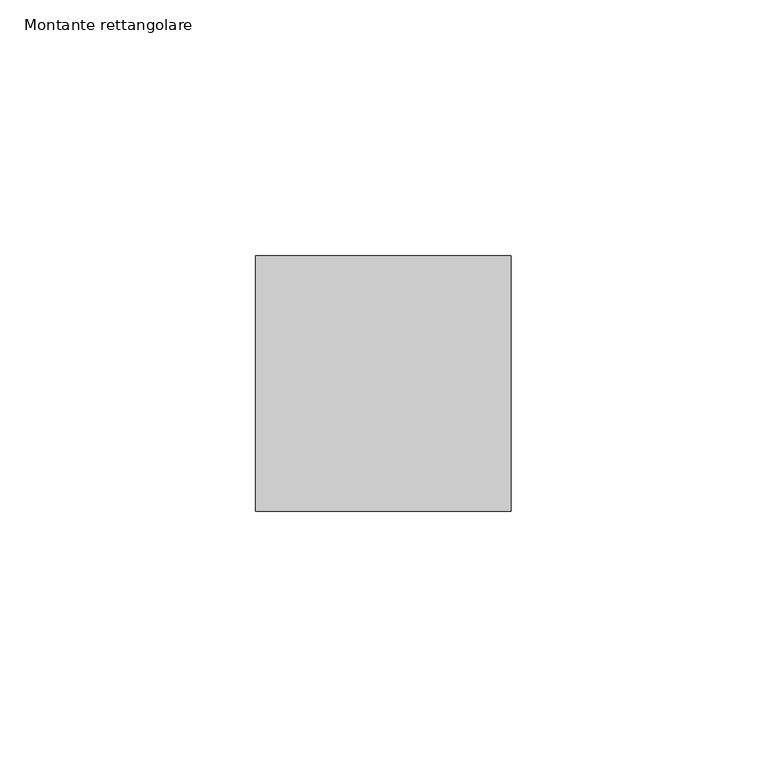
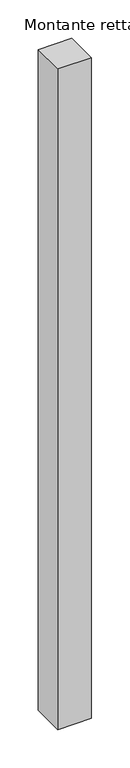
"""IFC4 building model written with IfcOpenShell, lengths in millimetres: member geometry, Montante rettangolare."""

import ifcopenshell
import ifcopenshell.guid

model = None  # the IFC model being written
_history = None  # IfcOwnerHistory: only IFC2X3 demands one
_inside = {}  # id of a spatial element -> (the spatial element, [elements in it])
_under = {}  # id of a project, library or spatial element -> (it, [spatial elements below it])
_declared = {}  # id of a project -> (the project, [libraries it declares])
_typed = {}  # id of a type object -> (the type object, [elements of that type])
_made_of = {}  # id of a material, layer set ... -> (it, [elements and type objects made of it])


def new_model(schema):
    """Start an empty IFC model of exactly this schema.

    Asked for "IFC4X3", IfcOpenShell would pick the latest addendum, in which some entities
    have other attributes; the version numbers below select the first issue.
    IFC2X3 requires an IfcOwnerHistory on every rooted entity: one is made here for all.
    """
    global model, _history
    if schema == "IFC4X3":
        model = ifcopenshell.file(schema_version=(4, 3, 0, 0))
    else:
        model = ifcopenshell.file(schema=schema)
    _inside.clear()
    _under.clear()
    _declared.clear()
    _typed.clear()
    _made_of.clear()
    _history = None
    if model.schema == "IFC2X3":
        org = make("IfcOrganization", Name="unknown")
        user = make(
            "IfcPersonAndOrganization",
            ThePerson=make("IfcPerson", FamilyName="unknown"),
            TheOrganization=org,
        )
        app = make(
            "IfcApplication",
            ApplicationDeveloper=org,
            Version="unknown",
            ApplicationFullName="unknown",
            ApplicationIdentifier="unknown",
        )
        _history = make(
            "IfcOwnerHistory",
            OwningUser=user,
            OwningApplication=app,
            ChangeAction="ADDED",
            CreationDate=0,
        )
    return model


def make(cls, **values):
    """One entity of the class cls with the attributes given. An attribute that is None is left unset."""
    return model.create_entity(
        cls, **{name: value for name, value in values.items() if value is not None}
    )


def rooted(cls, **values):
    """An entity with a GlobalId (a new one), such as an element, a storey or a relation."""
    return make(cls, GlobalId=ifcopenshell.guid.new(), OwnerHistory=_history, **values)


def si_unit(unit_type, name, prefix=None):
    """IfcSIUnit, for example si_unit("LENGTHUNIT", "METRE", prefix="MILLI")."""
    return make("IfcSIUnit", UnitType=unit_type, Prefix=prefix, Name=name)


def assignment(units):
    """IfcUnitAssignment: the units of a project."""
    return None if units is None else make("IfcUnitAssignment", Units=units)


def point(xyz):
    """IfcCartesianPoint."""
    return None if xyz is None else make("IfcCartesianPoint", Coordinates=xyz)


def direction(xyz):
    """IfcDirection."""
    return None if xyz is None else make("IfcDirection", DirectionRatios=xyz)


def frame(location, z_axis=None, x_axis=None):
    """IfcAxis2Placement3D, a coordinate frame: its origin and axes. An axis left out is left unset."""
    return make(
        "IfcAxis2Placement3D",
        Location=point(location),
        Axis=direction(z_axis),
        RefDirection=direction(x_axis),
    )


def origin():
    """The frame at (0, 0, 0) with its axes left unset."""
    return frame((0.0, 0.0, 0.0))


def place(relative_to, where):
    """IfcLocalPlacement: puts the frame where relative to a parent placement (None: the world)."""
    return make(
        "IfcLocalPlacement", PlacementRelTo=relative_to, RelativePlacement=where
    )


def context(
    kind, dimensions, precision=None, world=None, true_north=None, identifier=None
):
    """IfcGeometricRepresentationContext, for example the 3D "Model" context."""
    return make(
        "IfcGeometricRepresentationContext",
        ContextIdentifier=identifier,
        ContextType=kind,
        CoordinateSpaceDimension=dimensions,
        Precision=precision,
        WorldCoordinateSystem=world,
        TrueNorth=true_north,
    )


def project(units=None, contexts=None):
    """IfcProject with its units and contexts."""
    return rooted(
        "IfcProject",
        Name="project",
        RepresentationContexts=contexts,
        UnitsInContext=assignment(units),
    )


def spatial(cls, under=None, at=None, **own):
    """A site, building, storey or space (cls), placed at a placement, below another one or the project."""
    s = rooted(cls, ObjectPlacement=at, **own)
    if under is not None:
        _under.setdefault(under.id(), (under, []))[1].append(s)
    return s


def polyline(points):
    """IfcPolyline through the points."""
    return make("IfcPolyline", Points=[point(p) for p in points])


def outline(outer, holes=None, kind="AREA"):
    """IfcArbitraryClosedProfileDef: a profile drawn as a closed curve; with holes, ...WithVoids."""
    if holes is None:
        return make("IfcArbitraryClosedProfileDef", ProfileType=kind, OuterCurve=outer)
    return make(
        "IfcArbitraryProfileDefWithVoids",
        ProfileType=kind,
        OuterCurve=outer,
        InnerCurves=holes,
    )


def extrude(swept, where, along, depth):
    """IfcExtrudedAreaSolid: the profile swept, set in the frame where, extruded along a direction by depth."""
    return make(
        "IfcExtrudedAreaSolid",
        SweptArea=swept,
        Position=where,
        ExtrudedDirection=direction(along),
        Depth=depth,
    )


def shape(context_of_items, identifier, shape_type, items):
    """IfcShapeRepresentation: the items that make up one representation, for example the "Body"."""
    return make(
        "IfcShapeRepresentation",
        ContextOfItems=context_of_items,
        RepresentationIdentifier=identifier,
        RepresentationType=shape_type,
        Items=items,
    )


def source(mapping_origin, context_of_items, identifier, shape_type, items):
    """IfcRepresentationMap: a shape defined once, which mapped items show again and again."""
    return make(
        "IfcRepresentationMap",
        MappingOrigin=mapping_origin,
        MappedRepresentation=shape(context_of_items, identifier, shape_type, items),
    )


def transform(
    local_origin,
    x_axis=None,
    y_axis=None,
    z_axis=None,
    scale=None,
    scale2=None,
    scale3=None,
    uniform=True,
):
    """IfcCartesianTransformationOperator3D, or its non-uniform kind. x_axis, y_axis, z_axis: its Axis1, 2, 3."""
    if uniform:
        return make(
            "IfcCartesianTransformationOperator3D",
            Axis1=direction(x_axis),
            Axis2=direction(y_axis),
            LocalOrigin=point(local_origin),
            Scale=scale,
            Axis3=direction(z_axis),
        )
    return make(
        "IfcCartesianTransformationOperator3DnonUniform",
        Axis1=direction(x_axis),
        Axis2=direction(y_axis),
        LocalOrigin=point(local_origin),
        Scale=scale,
        Axis3=direction(z_axis),
        Scale2=scale2,
        Scale3=scale3,
    )


def mapped(mapping_source, mapping_target):
    """IfcMappedItem: shows the shape of a source again, moved by a transform."""
    return make(
        "IfcMappedItem", MappingSource=mapping_source, MappingTarget=mapping_target
    )


def made_of(thing, what):
    """Note that an element or type object is made of a material, layer set ...; save() writes the relation."""
    if what is not None:
        _made_of.setdefault(what.id(), (what, []))[1].append(thing)
    return thing


def element(
    cls,
    number,
    at=None,
    inside=None,
    cuts=None,
    type_object=None,
    material=None,
    context=None,
    identifier="Body",
    shape_type=None,
    held_by="IfcProductDefinitionShape",
    body=None,
    shapes=None,
    **own,
):
    """One element of the class cls, such as IfcWall. Its Tag is "e" and its number.

    at: its placement. inside: the storey or other place that contains it. cuts: it is an
    opening in that element (IfcRelVoidsElement). A single representation is given by context,
    identifier, shape_type and body (its items); several are given by shapes. held_by: the class
    of the entity that holds the representations. save() writes the other relations.
    """
    e = rooted(cls, Tag="e%d" % number, ObjectPlacement=at, **own)
    if body is not None:
        shapes = [shape(context, identifier, shape_type, body)]
    if shapes is not None:
        e.Representation = make(held_by, Representations=shapes)
    if inside is not None:
        _inside.setdefault(inside.id(), (inside, []))[1].append(e)
    if cuts is not None:
        rooted(
            "IfcRelVoidsElement", RelatingBuildingElement=cuts, RelatedOpeningElement=e
        )
    if type_object is not None:
        _typed.setdefault(type_object.id(), (type_object, []))[1].append(e)
    return made_of(e, material)


def aggregate(whole, parts):
    """IfcRelAggregates: a whole, such as a stair, and the parts it consists of."""
    return rooted("IfcRelAggregates", RelatingObject=whole, RelatedObjects=parts)


def save(model, path):
    """Write the relations noted so far, then the file.

    IfcRelAggregates (storeys below a building ...), IfcRelContainedInSpatialStructure (elements
    in a storey), IfcRelDefinesByType, IfcRelAssociatesMaterial and IfcRelDeclares: one each for
    every whole, place, type object, material and project.
    """
    for whole, parts in _under.values():
        aggregate(whole, parts)
    for where, things in _inside.values():
        rooted(
            "IfcRelContainedInSpatialStructure",
            RelatedElements=things,
            RelatingStructure=where,
        )
    for kind, things in _typed.values():
        rooted("IfcRelDefinesByType", RelatedObjects=things, RelatingType=kind)
    for what, things in _made_of.values():
        rooted("IfcRelAssociatesMaterial", RelatedObjects=things, RelatingMaterial=what)
    for by, libraries in _declared.values():
        rooted("IfcRelDeclares", RelatingContext=by, RelatedDefinitions=libraries)
    model.write(path)


def montante_rettangolare_bfae5e0d(model_context):
    return source(origin(), model_context, "Body", "SweptSolid", [
        extrude(outline(polyline([(0.0, 25.0), (0.0, -25.0), (-50.0, -25.0), (-50.0, 25.0), (0.0, 25.0)])), frame((0.0, 0.0, -1048.1283305), z_axis=(0.0, 0.0, 1.0), x_axis=(1.0, 0.0, 0.0)), (0.0, 0.0, 1.0), 1048.1283305),
    ])


if __name__ == "__main__":
    model = new_model("IFC4")
    model_context = context("Model", 3, world=origin())
    ifc_project = project(units=[si_unit("LENGTHUNIT", "METRE", prefix="MILLI")], contexts=[model_context])
    site = spatial("IfcSite", under=ifc_project)
    building = spatial("IfcBuilding", under=site)
    placement = place(None, origin())
    montante_rettangolare_shape = montante_rettangolare_bfae5e0d(model_context)
    element("IfcMember", 1, ObjectType="Montante rettangolare", at=placement, inside=building, context=model_context, shape_type="MappedRepresentation", body=[
        mapped(montante_rettangolare_shape, transform((0.0, 0.0, 0.0), x_axis=(1.0, 0.0, 0.0), y_axis=(0.0, 1.0, 0.0), z_axis=(0.0, 0.0, 1.0))),
    ])
    save(model, "model.ifc")
